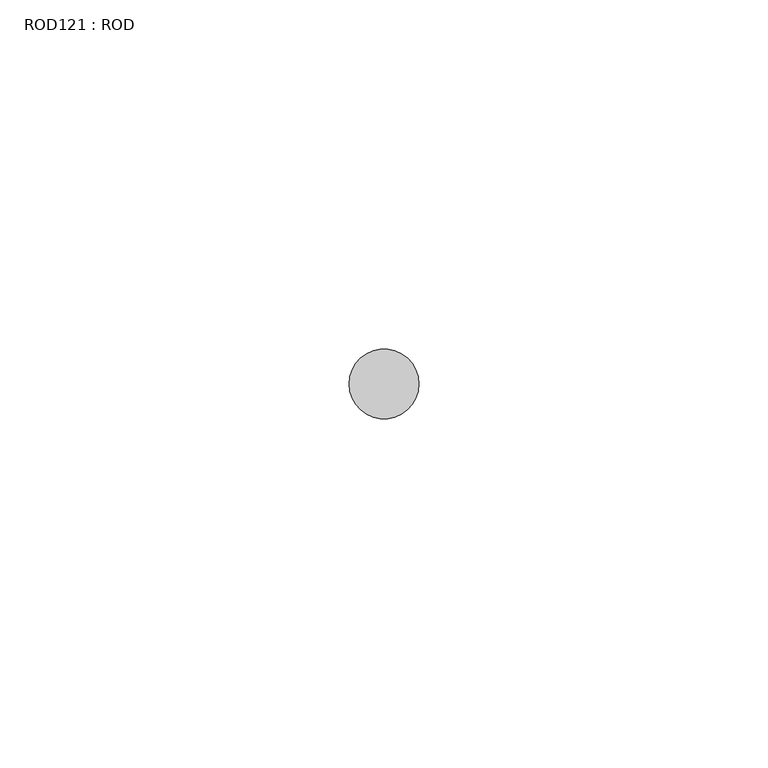
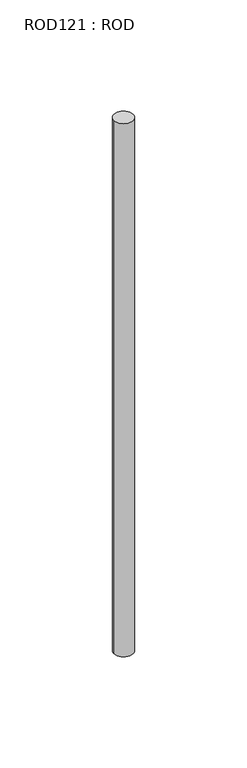
"""IFC4 building model written with IfcOpenShell, lengths in millimetres: proxy geometry, ROD121 : ROD."""

import ifcopenshell
import ifcopenshell.guid

model = None  # the IFC model being written
_history = None  # IfcOwnerHistory: only IFC2X3 demands one
_inside = {}  # id of a spatial element -> (the spatial element, [elements in it])
_under = {}  # id of a project, library or spatial element -> (it, [spatial elements below it])
_declared = {}  # id of a project -> (the project, [libraries it declares])
_typed = {}  # id of a type object -> (the type object, [elements of that type])
_made_of = {}  # id of a material, layer set ... -> (it, [elements and type objects made of it])


def new_model(schema):
    """Start an empty IFC model of exactly this schema.

    Asked for "IFC4X3", IfcOpenShell would pick the latest addendum, in which some entities
    have other attributes; the version numbers below select the first issue.
    IFC2X3 requires an IfcOwnerHistory on every rooted entity: one is made here for all.
    """
    global model, _history
    if schema == "IFC4X3":
        model = ifcopenshell.file(schema_version=(4, 3, 0, 0))
    else:
        model = ifcopenshell.file(schema=schema)
    _inside.clear()
    _under.clear()
    _declared.clear()
    _typed.clear()
    _made_of.clear()
    _history = None
    if model.schema == "IFC2X3":
        org = make("IfcOrganization", Name="unknown")
        user = make(
            "IfcPersonAndOrganization",
            ThePerson=make("IfcPerson", FamilyName="unknown"),
            TheOrganization=org,
        )
        app = make(
            "IfcApplication",
            ApplicationDeveloper=org,
            Version="unknown",
            ApplicationFullName="unknown",
            ApplicationIdentifier="unknown",
        )
        _history = make(
            "IfcOwnerHistory",
            OwningUser=user,
            OwningApplication=app,
            ChangeAction="ADDED",
            CreationDate=0,
        )
    return model


def make(cls, **values):
    """One entity of the class cls with the attributes given. An attribute that is None is left unset."""
    return model.create_entity(
        cls, **{name: value for name, value in values.items() if value is not None}
    )


def rooted(cls, **values):
    """An entity with a GlobalId (a new one), such as an element, a storey or a relation."""
    return make(cls, GlobalId=ifcopenshell.guid.new(), OwnerHistory=_history, **values)


def si_unit(unit_type, name, prefix=None):
    """IfcSIUnit, for example si_unit("LENGTHUNIT", "METRE", prefix="MILLI")."""
    return make("IfcSIUnit", UnitType=unit_type, Prefix=prefix, Name=name)


def assignment(units):
    """IfcUnitAssignment: the units of a project."""
    return None if units is None else make("IfcUnitAssignment", Units=units)


def point(xyz):
    """IfcCartesianPoint."""
    return None if xyz is None else make("IfcCartesianPoint", Coordinates=xyz)


def direction(xyz):
    """IfcDirection."""
    return None if xyz is None else make("IfcDirection", DirectionRatios=xyz)


def frame(location, z_axis=None, x_axis=None):
    """IfcAxis2Placement3D, a coordinate frame: its origin and axes. An axis left out is left unset."""
    return make(
        "IfcAxis2Placement3D",
        Location=point(location),
        Axis=direction(z_axis),
        RefDirection=direction(x_axis),
    )


def frame_2d(location, x_axis=None):
    """IfcAxis2Placement2D, a coordinate frame in the plane: its origin and x axis."""
    return make(
        "IfcAxis2Placement2D", Location=point(location), RefDirection=direction(x_axis)
    )


def origin():
    """The frame at (0, 0, 0) with its axes left unset."""
    return frame((0.0, 0.0, 0.0))


def place(relative_to, where):
    """IfcLocalPlacement: puts the frame where relative to a parent placement (None: the world)."""
    return make(
        "IfcLocalPlacement", PlacementRelTo=relative_to, RelativePlacement=where
    )


def context(
    kind, dimensions, precision=None, world=None, true_north=None, identifier=None
):
    """IfcGeometricRepresentationContext, for example the 3D "Model" context."""
    return make(
        "IfcGeometricRepresentationContext",
        ContextIdentifier=identifier,
        ContextType=kind,
        CoordinateSpaceDimension=dimensions,
        Precision=precision,
        WorldCoordinateSystem=world,
        TrueNorth=true_north,
    )


def project(units=None, contexts=None):
    """IfcProject with its units and contexts."""
    return rooted(
        "IfcProject",
        Name="project",
        RepresentationContexts=contexts,
        UnitsInContext=assignment(units),
    )


def spatial(cls, under=None, at=None, **own):
    """A site, building, storey or space (cls), placed at a placement, below another one or the project."""
    s = rooted(cls, ObjectPlacement=at, **own)
    if under is not None:
        _under.setdefault(under.id(), (under, []))[1].append(s)
    return s


def circle_curve(where, radius):
    """IfcCircle in the frame where."""
    return make("IfcCircle", Position=where, Radius=radius)


def trimmed(basis, trim1, trim2, sense, master):
    """IfcTrimmedCurve: the piece of a basis curve between two trims."""
    return make(
        "IfcTrimmedCurve",
        BasisCurve=basis,
        Trim1=trim1,
        Trim2=trim2,
        SenseAgreement=sense,
        MasterRepresentation=master,
    )


def segment(curve, same_sense, transition):
    """IfcCompositeCurveSegment."""
    return make(
        "IfcCompositeCurveSegment",
        Transition=transition,
        SameSense=same_sense,
        ParentCurve=curve,
    )


def composite_curve(segments, self_intersect=None):
    """IfcCompositeCurve: segments joined end to end."""
    return make("IfcCompositeCurve", Segments=segments, SelfIntersect=self_intersect)


def outline(outer, holes=None, kind="AREA"):
    """IfcArbitraryClosedProfileDef: a profile drawn as a closed curve; with holes, ...WithVoids."""
    if holes is None:
        return make("IfcArbitraryClosedProfileDef", ProfileType=kind, OuterCurve=outer)
    return make(
        "IfcArbitraryProfileDefWithVoids",
        ProfileType=kind,
        OuterCurve=outer,
        InnerCurves=holes,
    )


def extrude(swept, where, along, depth):
    """IfcExtrudedAreaSolid: the profile swept, set in the frame where, extruded along a direction by depth."""
    return make(
        "IfcExtrudedAreaSolid",
        SweptArea=swept,
        Position=where,
        ExtrudedDirection=direction(along),
        Depth=depth,
    )


def shape(context_of_items, identifier, shape_type, items):
    """IfcShapeRepresentation: the items that make up one representation, for example the "Body"."""
    return make(
        "IfcShapeRepresentation",
        ContextOfItems=context_of_items,
        RepresentationIdentifier=identifier,
        RepresentationType=shape_type,
        Items=items,
    )


def source(mapping_origin, context_of_items, identifier, shape_type, items):
    """IfcRepresentationMap: a shape defined once, which mapped items show again and again."""
    return make(
        "IfcRepresentationMap",
        MappingOrigin=mapping_origin,
        MappedRepresentation=shape(context_of_items, identifier, shape_type, items),
    )


def transform(
    local_origin,
    x_axis=None,
    y_axis=None,
    z_axis=None,
    scale=None,
    scale2=None,
    scale3=None,
    uniform=True,
):
    """IfcCartesianTransformationOperator3D, or its non-uniform kind. x_axis, y_axis, z_axis: its Axis1, 2, 3."""
    if uniform:
        return make(
            "IfcCartesianTransformationOperator3D",
            Axis1=direction(x_axis),
            Axis2=direction(y_axis),
            LocalOrigin=point(local_origin),
            Scale=scale,
            Axis3=direction(z_axis),
        )
    return make(
        "IfcCartesianTransformationOperator3DnonUniform",
        Axis1=direction(x_axis),
        Axis2=direction(y_axis),
        LocalOrigin=point(local_origin),
        Scale=scale,
        Axis3=direction(z_axis),
        Scale2=scale2,
        Scale3=scale3,
    )


def mapped(mapping_source, mapping_target):
    """IfcMappedItem: shows the shape of a source again, moved by a transform."""
    return make(
        "IfcMappedItem", MappingSource=mapping_source, MappingTarget=mapping_target
    )


def made_of(thing, what):
    """Note that an element or type object is made of a material, layer set ...; save() writes the relation."""
    if what is not None:
        _made_of.setdefault(what.id(), (what, []))[1].append(thing)
    return thing


def element(
    cls,
    number,
    at=None,
    inside=None,
    cuts=None,
    type_object=None,
    material=None,
    context=None,
    identifier="Body",
    shape_type=None,
    held_by="IfcProductDefinitionShape",
    body=None,
    shapes=None,
    **own,
):
    """One element of the class cls, such as IfcWall. Its Tag is "e" and its number.

    at: its placement. inside: the storey or other place that contains it. cuts: it is an
    opening in that element (IfcRelVoidsElement). A single representation is given by context,
    identifier, shape_type and body (its items); several are given by shapes. held_by: the class
    of the entity that holds the representations. save() writes the other relations.
    """
    e = rooted(cls, Tag="e%d" % number, ObjectPlacement=at, **own)
    if body is not None:
        shapes = [shape(context, identifier, shape_type, body)]
    if shapes is not None:
        e.Representation = make(held_by, Representations=shapes)
    if inside is not None:
        _inside.setdefault(inside.id(), (inside, []))[1].append(e)
    if cuts is not None:
        rooted(
            "IfcRelVoidsElement", RelatingBuildingElement=cuts, RelatedOpeningElement=e
        )
    if type_object is not None:
        _typed.setdefault(type_object.id(), (type_object, []))[1].append(e)
    return made_of(e, material)


def aggregate(whole, parts):
    """IfcRelAggregates: a whole, such as a stair, and the parts it consists of."""
    return rooted("IfcRelAggregates", RelatingObject=whole, RelatedObjects=parts)


def save(model, path):
    """Write the relations noted so far, then the file.

    IfcRelAggregates (storeys below a building ...), IfcRelContainedInSpatialStructure (elements
    in a storey), IfcRelDefinesByType, IfcRelAssociatesMaterial and IfcRelDeclares: one each for
    every whole, place, type object, material and project.
    """
    for whole, parts in _under.values():
        aggregate(whole, parts)
    for where, things in _inside.values():
        rooted(
            "IfcRelContainedInSpatialStructure",
            RelatedElements=things,
            RelatingStructure=where,
        )
    for kind, things in _typed.values():
        rooted("IfcRelDefinesByType", RelatedObjects=things, RelatingType=kind)
    for what, things in _made_of.values():
        rooted("IfcRelAssociatesMaterial", RelatedObjects=things, RelatingMaterial=what)
    for by, libraries in _declared.values():
        rooted("IfcRelDeclares", RelatingContext=by, RelatedDefinitions=libraries)
    model.write(path)


def rod121_rod_23b442d3(model_context):
    return source(origin(), model_context, "Body", "SweptSolid", [
        extrude(outline(composite_curve([segment(trimmed(circle_curve(frame_2d((10452.7784384, -12414.6300853)), 5.0), [point((10447.7784384, -12414.6300853))], [point((10457.7784384, -12414.6300853))], False, "CARTESIAN"), True, "CONTINUOUS"), segment(trimmed(circle_curve(frame_2d((10452.7784384, -12414.6300853)), 5.0), [point((10457.7784384, -12414.6300853))], [point((10447.7784384, -12414.6300853))], False, "CARTESIAN"), True, "CONTINUOUS")], self_intersect=False)), frame((0.0, 0.0, -208.6608845), z_axis=(0.0, 0.0, 1.0), x_axis=(1.0, 0.0, 0.0)), (0.0, 0.0, 1.0), 298.9028972),
    ])


if __name__ == "__main__":
    model = new_model("IFC4")
    model_context = context("Model", 3, world=origin())
    ifc_project = project(units=[si_unit("LENGTHUNIT", "METRE", prefix="MILLI")], contexts=[model_context])
    site = spatial("IfcSite", under=ifc_project)
    building = spatial("IfcBuilding", under=site)
    placement = place(None, origin())
    rod121_rod_shape = rod121_rod_23b442d3(model_context)
    element("IfcBuildingElementProxy", 1, Name="ROD121 : ROD", ObjectType="ROD121 : ROD", at=placement, inside=building, context=model_context, shape_type="MappedRepresentation", body=[
        mapped(rod121_rod_shape, transform((0.0, 0.0, 0.0), x_axis=(1.0, 0.0, 0.0), y_axis=(0.0, 1.0, 0.0), z_axis=(0.0, 0.0, 1.0))),
    ])
    save(model, "model.ifc")
